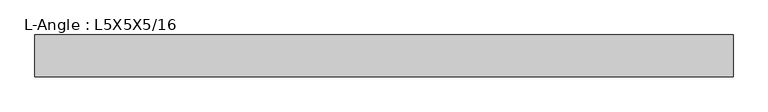
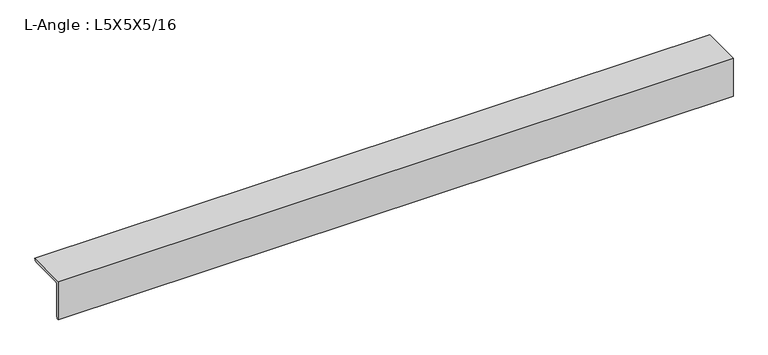
"""IFC4 building model written with IfcOpenShell, lengths in millimetres: beam geometry, L-Angle : L5X5X5/16."""

from ifc_helpers import new_model, si_unit, point, frame, frame_2d, origin, place, context, project, spatial, polyline, circle_curve, trimmed, segment, composite_curve, outline, extrude, source, transform, mapped, element, save


def l_angle_l5x5x5_16_5d221824(model_context):
    return source(origin(), model_context, "Body", "SweptSolid", [
        extrude(outline(composite_curve([segment(polyline([(-34.3296875, 34.3296875), (92.6703125, 34.3296875)]), True, "CONTINUOUS"), segment(trimmed(circle_curve(frame_2d((84.7328125, 34.3296875)), 7.9375), [point((92.6703125, 34.3296875))], [point((84.7328125, 26.3921875))], False, "CARTESIAN"), True, "CONTINUOUS"), segment(polyline([(84.7328125, 26.3921875), (-18.4546875, 26.3921875)]), True, "CONTINUOUS"), segment(trimmed(circle_curve(frame_2d((-18.4546875, 18.4546875)), 7.9375), [point((-18.4546875, 26.3921875))], [point((-26.3921875, 18.4546875))], True, "CARTESIAN"), True, "CONTINUOUS"), segment(polyline([(-26.3921875, 18.4546875), (-26.3921875, -84.7328125)]), True, "CONTINUOUS"), segment(trimmed(circle_curve(frame_2d((-34.3296875, -84.7328125)), 7.9375), [point((-26.3921875, -84.7328125))], [point((-34.3296875, -92.6703125))], False, "CARTESIAN"), True, "CONTINUOUS"), segment(polyline([(-34.3296875, -92.6703125), (-34.3296875, 34.3296875)]), True, "CONTINUOUS")], self_intersect=False)), frame((-1054.0999994, 0.0, 0.0), z_axis=(1.0, 0.0, 0.0), x_axis=(0.0, 1.0, 0.0)), (0.0, 0.0, 1.0), 2120.8999994),
    ])


if __name__ == "__main__":
    model = new_model("IFC4")
    model_context = context("Model", 3, world=origin())
    ifc_project = project(units=[si_unit("LENGTHUNIT", "METRE", prefix="MILLI")], contexts=[model_context])
    site = spatial("IfcSite", under=ifc_project)
    building = spatial("IfcBuilding", under=site)
    placement = place(None, origin())
    l_angle_l5x5x5_16_shape = l_angle_l5x5x5_16_5d221824(model_context)
    element("IfcBeam", 1, ObjectType="L-Angle : L5X5X5/16", at=placement, inside=building, context=model_context, shape_type="MappedRepresentation", body=[
        mapped(l_angle_l5x5x5_16_shape, transform((0.0, 0.0, 0.0), x_axis=(1.0, 0.0, 0.0), y_axis=(0.0, 1.0, 0.0), z_axis=(0.0, 0.0, 1.0))),
    ])
    save(model, "model.ifc")
